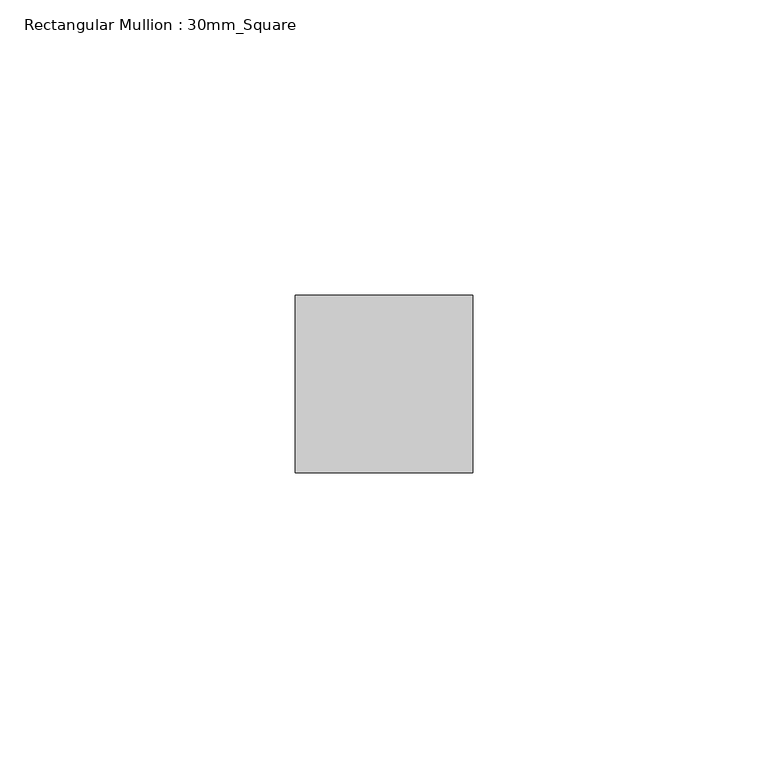
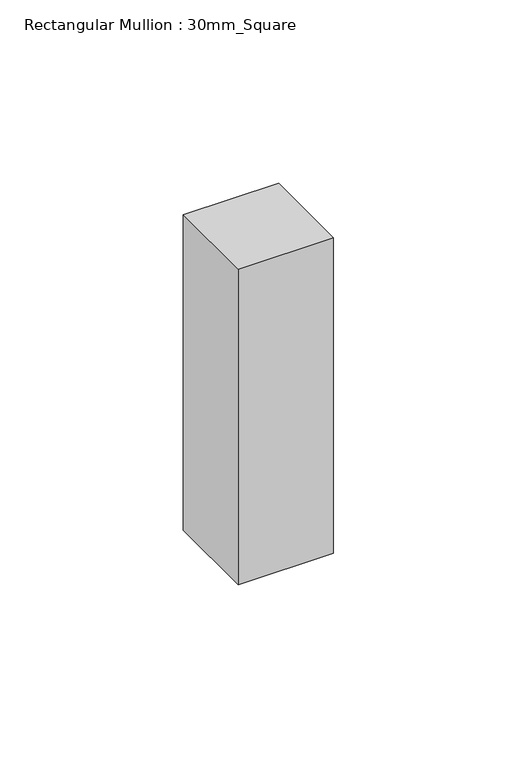
"""IFC4 building model written with IfcOpenShell, lengths in millimetres: member geometry, Rectangular Mullion : 30mm_Square."""

from ifc_helpers import new_model, si_unit, frame, origin, place, context, project, spatial, polyline, outline, extrude, source, transform, mapped, element, save


def rectangular_mullion_30mm_square_76517e04(model_context):
    return source(origin(), model_context, "Body", "SweptSolid", [
        extrude(outline(polyline([(0.0, 15.0), (0.0, -15.0), (-30.0, -15.0), (-30.0, 15.0), (0.0, 15.0)])), frame((0.0, 0.0, -104.9999997), z_axis=(0.0, 0.0, 1.0), x_axis=(1.0, 0.0, 0.0)), (0.0, 0.0, 1.0), 104.9999997),
    ])


if __name__ == "__main__":
    model = new_model("IFC4")
    model_context = context("Model", 3, world=origin())
    ifc_project = project(units=[si_unit("LENGTHUNIT", "METRE", prefix="MILLI")], contexts=[model_context])
    site = spatial("IfcSite", under=ifc_project)
    building = spatial("IfcBuilding", under=site)
    placement = place(None, origin())
    rectangular_mullion_30mm_square_shape = rectangular_mullion_30mm_square_76517e04(model_context)
    element("IfcMember", 1, ObjectType="Rectangular Mullion : 30mm_Square", at=placement, inside=building, context=model_context, shape_type="MappedRepresentation", body=[
        mapped(rectangular_mullion_30mm_square_shape, transform((0.0, 0.0, 0.0), x_axis=(1.0, 0.0, 0.0), y_axis=(0.0, 1.0, 0.0), z_axis=(0.0, 0.0, 1.0))),
    ])
    save(model, "model.ifc")
